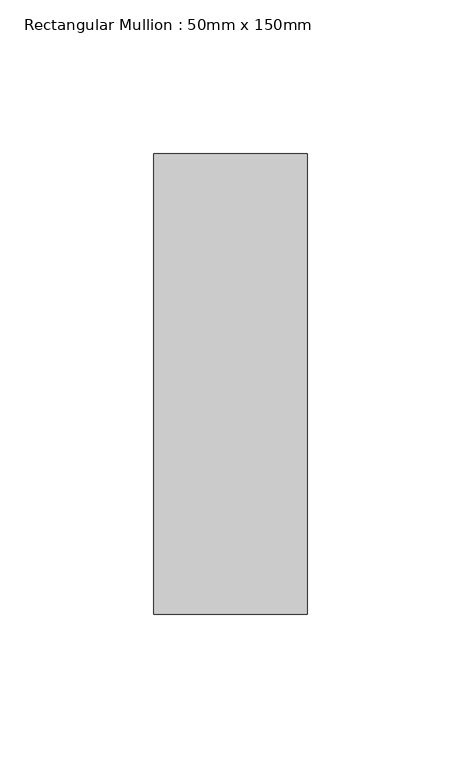
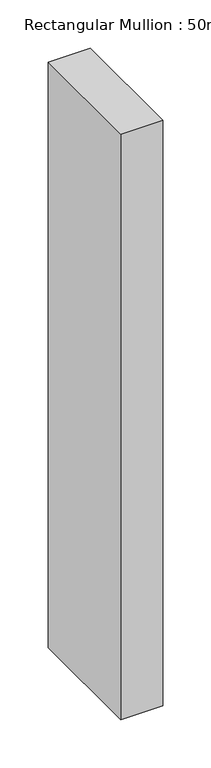
"""IFC4 building model written with IfcOpenShell, lengths in millimetres: member geometry, Rectangular Mullion : 50mm x 150mm."""

from ifc_helpers import new_model, si_unit, frame, origin, place, context, project, spatial, polyline, outline, extrude, source, transform, mapped, element, save


def rectangular_mullion_50mm_x_150mm_1a04db52(model_context):
    return source(origin(), model_context, "Body", "SweptSolid", [
        extrude(outline(polyline([(0.0, 75.0), (0.0, -75.0), (-50.0, -75.0), (-50.0, 75.0), (0.0, 75.0)])), frame((0.0, 0.0, -739.9752054), z_axis=(0.0, 0.0, 1.0), x_axis=(1.0, 0.0, 0.0)), (0.0, 0.0, 1.0), 739.9752054),
    ])


if __name__ == "__main__":
    model = new_model("IFC4")
    model_context = context("Model", 3, world=origin())
    ifc_project = project(units=[si_unit("LENGTHUNIT", "METRE", prefix="MILLI")], contexts=[model_context])
    site = spatial("IfcSite", under=ifc_project)
    building = spatial("IfcBuilding", under=site)
    placement = place(None, origin())
    rectangular_mullion_50mm_x_150mm_shape = rectangular_mullion_50mm_x_150mm_1a04db52(model_context)
    element("IfcMember", 1, ObjectType="Rectangular Mullion : 50mm x 150mm", at=placement, inside=building, context=model_context, shape_type="MappedRepresentation", body=[
        mapped(rectangular_mullion_50mm_x_150mm_shape, transform((0.0, 0.0, 0.0), x_axis=(1.0, 0.0, 0.0), y_axis=(0.0, 1.0, 0.0), z_axis=(0.0, 0.0, 1.0))),
    ])
    save(model, "model.ifc")
